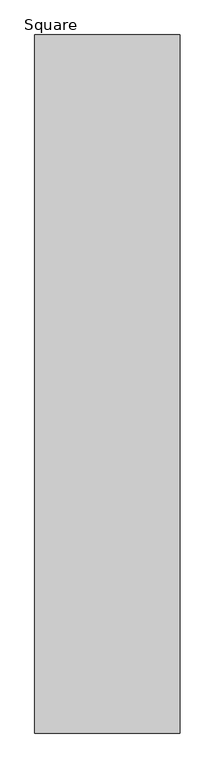
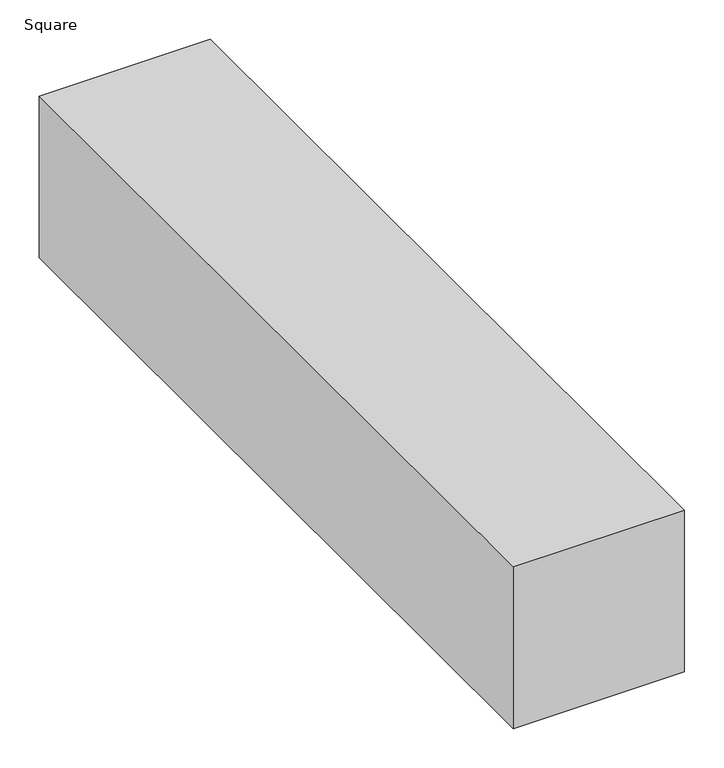
"""IFC4 building model written with IfcOpenShell, lengths in millimetres: proxy geometry, Square."""

from ifc_helpers import new_model, si_unit, origin, origin_with_axes, place, context, project, spatial, polyline, outline, extrude, source, transform, mapped, element, save


def square_eac843ca(model_context):
    return source(origin(), model_context, "Body", "SweptSolid", [
        extrude(outline(polyline([(125.0, 600.0), (125.0, -600.0), (-125.0, -600.0), (-125.0, 600.0), (125.0, 600.0)])), origin_with_axes(), (0.0, 0.0, 1.0), 250.0),
    ])


if __name__ == "__main__":
    model = new_model("IFC4")
    model_context = context("Model", 3, world=origin())
    ifc_project = project(units=[si_unit("LENGTHUNIT", "METRE", prefix="MILLI")], contexts=[model_context])
    site = spatial("IfcSite", under=ifc_project)
    building = spatial("IfcBuilding", under=site)
    placement = place(None, origin())
    square_shape = square_eac843ca(model_context)
    element("IfcBuildingElementProxy", 1, Name="Square", ObjectType="Square", at=placement, inside=building, context=model_context, shape_type="MappedRepresentation", body=[
        mapped(square_shape, transform((0.0, 0.0, 0.0), x_axis=(1.0, 0.0, 0.0), y_axis=(0.0, 1.0, 0.0), z_axis=(0.0, 0.0, 1.0))),
    ])
    save(model, "model.ifc")
